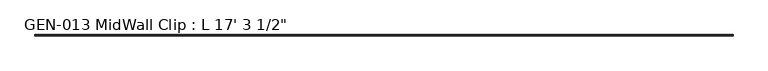
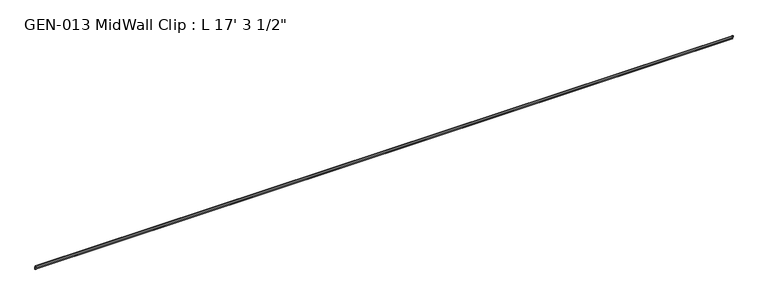
"""IFC4 building model written with IfcOpenShell, lengths in millimetres: proxy geometry."""

from ifc_helpers import new_model, si_unit, point, frame, frame_2d, origin, place, context, project, spatial, polyline, circle_curve, trimmed, segment, composite_curve, outline, extrude, source, transform, mapped, element, save


def proxy_7b7e9fe1(model_context):
    return source(origin(), model_context, "Body", "SweptSolid", [
        extrude(outline(composite_curve([segment(trimmed(circle_curve(frame_2d((1.9177, 1.1238237)), 1.27), [point((3.1877, 1.1238237))], [point((1.9177, 2.3938237))], True, "CARTESIAN"), True, "CONTINUOUS"), segment(polyline([(1.9177, 2.3938237), (-4.7625, 2.3938237), (-4.7625, 14.4786268)]), True, "CONTINUOUS"), segment(trimmed(circle_curve(frame_2d((-3.5698235, 13.3878692)), 1.6162393), [point((-4.7625, 14.4786268))], [point((-2.4411308, 14.5447106))], False, "CARTESIAN"), True, "CONTINUOUS"), segment(polyline([(-2.4411308, 14.5447106), (-0.630157, 3.9686237), (4.7625, 3.9686237), (4.7625, -15.0559763), (1.6129, -15.0559763), (1.6129, -13.4811763), (3.1877, -13.4811763), (3.1877, 1.1238237)]), True, "CONTINUOUS")], self_intersect=False)), frame((0.0, 0.0, 0.0), z_axis=(1.0, 0.0, 0.0), x_axis=(0.0, 1.0, 0.0)), (0.0, 0.0, 1.0), 5270.5),
    ])


if __name__ == "__main__":
    model = new_model("IFC4")
    model_context = context("Model", 3, world=origin())
    ifc_project = project(units=[si_unit("LENGTHUNIT", "METRE", prefix="MILLI")], contexts=[model_context])
    site = spatial("IfcSite", under=ifc_project)
    building = spatial("IfcBuilding", under=site)
    placement = place(None, origin())
    proxy_shape = proxy_7b7e9fe1(model_context)
    element("IfcBuildingElementProxy", 1, Name="GEN-013 MidWall Clip : L 17' 3 1/2\"", ObjectType="GEN-013 MidWall Clip : L 17' 3 1/2\"", at=placement, inside=building, context=model_context, shape_type="MappedRepresentation", body=[
        mapped(proxy_shape, transform((0.0, 0.0, 0.0), x_axis=(1.0, 0.0, 0.0), y_axis=(0.0, 1.0, 0.0), z_axis=(0.0, 0.0, 1.0))),
    ])
    save(model, "model.ifc")
